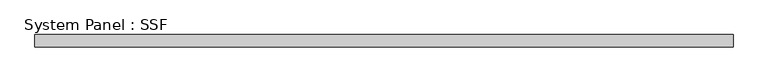
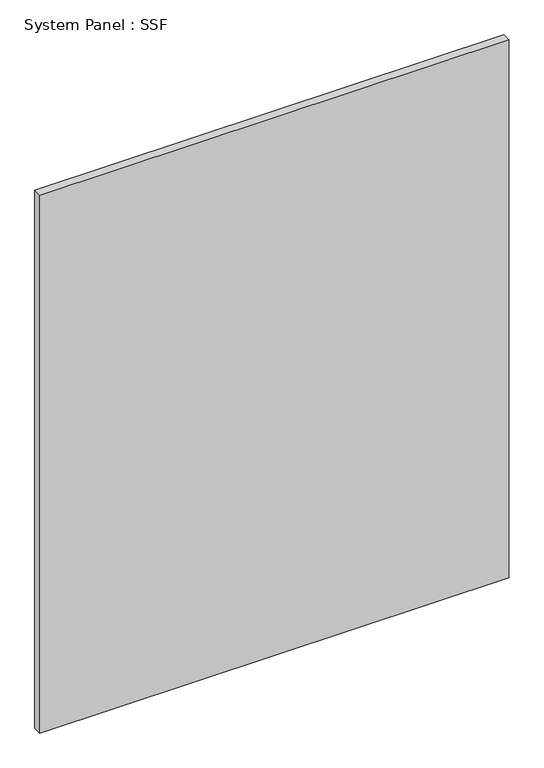
"""IFC4 building model written with IfcOpenShell, lengths in millimetres: plate geometry, System Panel : SSF."""

from ifc_helpers import new_model, si_unit, origin, origin_with_axes, place, context, project, spatial, polyline, outline, extrude, source, transform, mapped, element, save


def system_panel_ssf_a21d18b7(model_context):
    return source(origin(), model_context, "Body", "SweptSolid", [
        extrude(outline(polyline([(720.725, -43.65625), (-720.725, -43.65625), (-720.725, -18.25625), (720.725, -18.25625), (720.725, -43.65625)])), origin_with_axes(), (0.0, 0.0, 1.0), 1746.25),
    ])


if __name__ == "__main__":
    model = new_model("IFC4")
    model_context = context("Model", 3, world=origin())
    ifc_project = project(units=[si_unit("LENGTHUNIT", "METRE", prefix="MILLI")], contexts=[model_context])
    site = spatial("IfcSite", under=ifc_project)
    building = spatial("IfcBuilding", under=site)
    placement = place(None, origin())
    system_panel_ssf_shape = system_panel_ssf_a21d18b7(model_context)
    element("IfcPlate", 1, ObjectType="System Panel : SSF", at=placement, inside=building, context=model_context, shape_type="MappedRepresentation", body=[
        mapped(system_panel_ssf_shape, transform((0.0, 0.0, 0.0), x_axis=(1.0, 0.0, 0.0), y_axis=(0.0, 1.0, 0.0), z_axis=(0.0, 0.0, 1.0))),
    ])
    save(model, "model.ifc")
